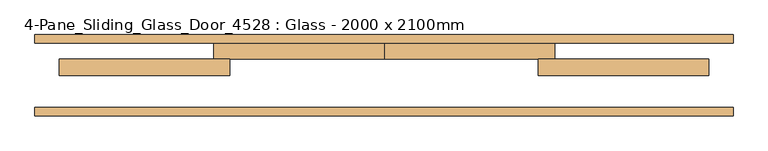
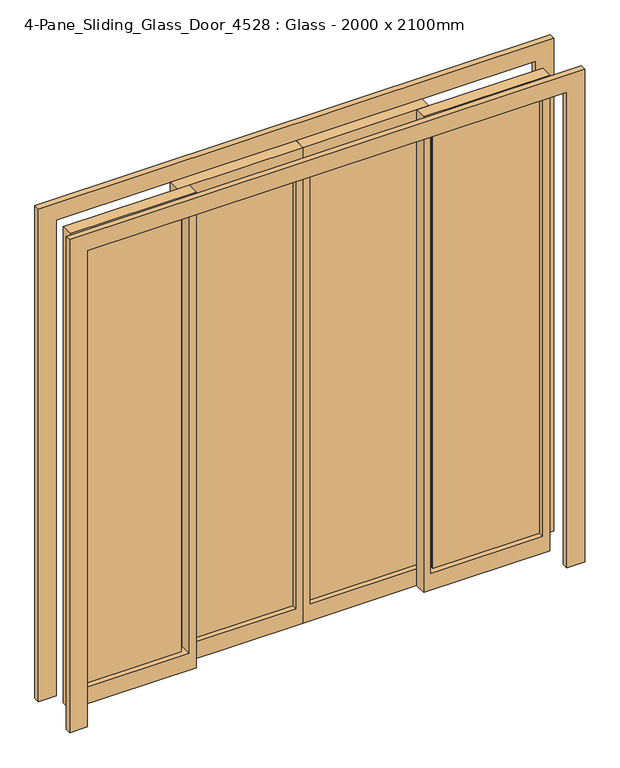
"""IFC4 building model written with IfcOpenShell, lengths in millimetres: door geometry, 4-Pane_Sliding_Glass_Door_4528 : Glass - 2000 x 2100mm."""

from ifc_helpers import new_model, si_unit, frame, origin, place, context, project, spatial, polyline, outline, extrude, source, transform, mapped, element, save


def door_4_pane_sliding_glass_door_4528_glass_2000_x_2100mm_ffe8337e(model_context):
    return source(origin(), model_context, "Body", "SweptSolid", [
        extrude(outline(polyline([(-990.0, 155.175), (-525.0, 155.175), (-525.0, 148.825), (-990.0, 148.825), (-990.0, 155.175)])), frame((0.0, 0.0, 75.0), z_axis=(0.0, 0.0, 1.0), x_axis=(1.0, 0.0, 0.0)), (0.0, 0.0, 1.0), 1950.0),
        extrude(outline(polyline([(2100.0, -475.0), (2100.0, -1000.0), (0.0, -1000.0), (0.0, -475.0), (2100.0, -475.0)]), holes=[polyline([(2025.0, -505.0), (75.0, -505.0), (75.0, -970.0), (2025.0, -970.0), (2025.0, -505.0)])]), frame((0.0, 127.0, 0.0), z_axis=(0.0, 1.0, 0.0), x_axis=(0.0, 0.0, 1.0)), (0.0, 0.0, 1.0), 50.0),
        extrude(outline(polyline([(-495.0, 205.175), (-30.0, 205.175), (-30.0, 198.825), (-495.0, 198.825), (-495.0, 205.175)])), frame((0.0, 0.0, 75.0), z_axis=(0.0, 0.0, 1.0), x_axis=(1.0, 0.0, 0.0)), (0.0, 0.0, 1.0), 1950.0),
        extrude(outline(polyline([(2100.0, -525.0), (0.0, -525.0), (0.0, 0.0), (2100.0, 0.0), (2100.0, -525.0)]), holes=[polyline([(2025.0, -495.0), (2025.0, -30.0), (75.0, -30.0), (75.0, -495.0), (2025.0, -495.0)])]), frame((0.0, 177.0, 0.0), z_axis=(0.0, 1.0, 0.0), x_axis=(0.0, 0.0, 1.0)), (0.0, 0.0, 1.0), 50.0),
        extrude(outline(polyline([(525.4, 155.175), (970.0, 155.175), (970.0, 148.825), (525.4, 148.825), (525.4, 155.175)])), frame((0.0, 0.0, 75.0), z_axis=(0.0, 0.0, 1.0), x_axis=(1.0, 0.0, 0.0)), (0.0, 0.0, 1.0), 1950.0),
        extrude(outline(polyline([(2100.0, 474.6), (0.0, 474.6), (0.0, 1000.0), (2100.0, 1000.0), (2100.0, 474.6)]), holes=[polyline([(2025.0, 504.6), (2025.0, 970.0), (75.0, 970.0), (75.0, 504.6), (2025.0, 504.6)])]), frame((0.0, 127.0, 0.0), z_axis=(0.0, 1.0, 0.0), x_axis=(0.0, 0.0, 1.0)), (0.0, 0.0, 1.0), 50.0),
        extrude(outline(polyline([(30.0, 205.175), (495.4, 205.175), (495.4, 198.825), (30.0, 198.825), (30.0, 205.175)])), frame((0.0, 0.0, 75.0), z_axis=(0.0, 0.0, 1.0), x_axis=(1.0, 0.0, 0.0)), (0.0, 0.0, 1.0), 1950.0),
        extrude(outline(polyline([(2100.0, 525.4), (2100.0, 0.0), (0.0, 0.0), (0.0, 525.4), (2100.0, 525.4)]), holes=[polyline([(2025.0, 495.4), (75.0, 495.4), (75.0, 30.0), (2025.0, 30.0), (2025.0, 495.4)])]), frame((0.0, 177.0, 0.0), z_axis=(0.0, 1.0, 0.0), x_axis=(0.0, 0.0, 1.0)), (0.0, 0.0, 1.0), 50.0),
        extrude(outline(polyline([(0.0, -1075.0), (0.0, -1000.0), (2100.0, -1000.0), (2100.0, 1000.0), (0.0, 1000.0), (0.0, 1075.0), (2175.0, 1075.0), (2175.0, -1075.0), (0.0, -1075.0)])), frame((0.0, 2.0, 0.0), z_axis=(0.0, 1.0, 0.0), x_axis=(0.0, 0.0, 1.0)), (0.0, 0.0, 1.0), 25.0),
        extrude(outline(polyline([(0.0, 1075.0), (2175.0, 1075.0), (2175.0, -1075.0), (0.0, -1075.0), (0.0, -1000.0), (2100.0, -1000.0), (2100.0, 1000.0), (0.0, 1000.0), (0.0, 1075.0)])), frame((0.0, 227.0, 0.0), z_axis=(0.0, 1.0, 0.0), x_axis=(0.0, 0.0, 1.0)), (0.0, 0.0, 1.0), 25.0),
    ])


if __name__ == "__main__":
    model = new_model("IFC4")
    model_context = context("Model", 3, world=origin())
    ifc_project = project(units=[si_unit("LENGTHUNIT", "METRE", prefix="MILLI")], contexts=[model_context])
    site = spatial("IfcSite", under=ifc_project)
    building = spatial("IfcBuilding", under=site)
    placement = place(None, origin())
    door_4_pane_sliding_glass_door_4528_glass_2000_x_2100mm_shape = door_4_pane_sliding_glass_door_4528_glass_2000_x_2100mm_ffe8337e(model_context)
    element("IfcDoor", 1, ObjectType="4-Pane_Sliding_Glass_Door_4528 : Glass - 2000 x 2100mm", at=placement, inside=building, context=model_context, shape_type="MappedRepresentation", body=[
        mapped(door_4_pane_sliding_glass_door_4528_glass_2000_x_2100mm_shape, transform((0.0, 0.0, 0.0), x_axis=(1.0, 0.0, 0.0), y_axis=(0.0, 1.0, 0.0), z_axis=(0.0, 0.0, 1.0))),
    ])
    save(model, "model.ifc")
